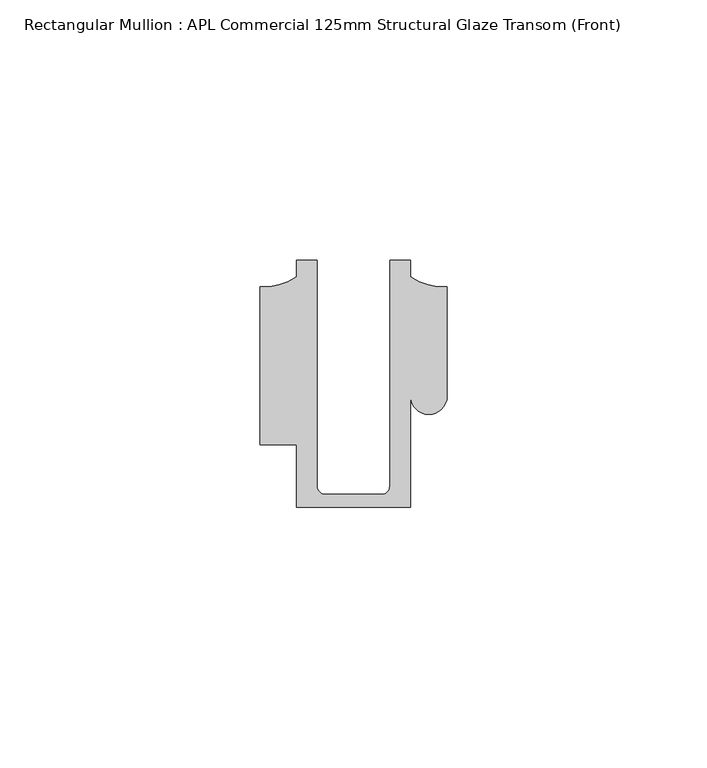
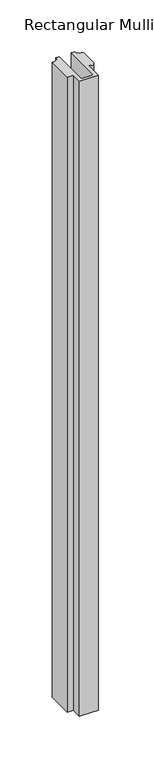
"""IFC4 building model written with IfcOpenShell, lengths in millimetres: member geometry, Rectangular Mullion : APL Commercial 125mm Structural Glaze Transom (Front)."""

from ifc_helpers import new_model, si_unit, frame, origin, place, context, project, spatial, polyline, circle_curve, source, transform, mapped, element, save
from ifc_brep_helpers import plane_surface, cylinder_surface, revolved_surface, advanced_brep


def rectangular_mullion_apl_commercial_125mm_structural_glaze_9c933010(model_context):
    return source(origin(), model_context, "Body", "AdvancedBrep", [
        advanced_brep(
        [(-11.0000151, -27.0, 0.0), (11.001071, -27.0, 0.0), (11.001071, -5.5848769, 0.0), (17.9999091, -5.6750512, 0.0), (17.9999542, 15.3797475, 0.0), (11.0000151, 17.3125212, 0.0), (11.0000151, 20.5, 0.0), (6.9999849, 20.5, 0.0), (6.9999849, -22.9973451, 0.0), (5.4999872, -24.5, 0.0), (-5.4999873, -24.5, 0.0), (-6.9999853, -22.9976091, 0.0), (-6.9999853, 20.5, 0.0), (-10.9999994, 20.5, 0.0), (-10.9999994, 17.3125325, 0.0), (-17.9999542, 15.3797475, 0.0), (-17.9999542, -15.0006281, 0.0), (-11.0000151, -15.0006281, 0.0), (-11.0000151, -27.0, -781.3628177), (-11.0000151, -15.0006281, -781.3628177), (-17.9999542, -15.0006281, -781.3628177), (-17.9999542, 15.3797475, -781.3628177), (-10.9999994, 17.3125325, -781.3628177), (-10.9999994, 20.5, -781.3628177), (-6.9999853, 20.5, -781.3628177), (-6.9999853, -22.9976091, -781.3628177), (-5.4999873, -24.5, -781.3628177), (5.4999872, -24.5, -781.3628177), (6.9999849, -22.9973451, -781.3628177), (6.9999849, 20.5, -781.3628177), (11.0000151, 20.5, -781.3628177), (11.0000151, 17.3125212, -781.3628177), (17.9999542, 15.3797475, -781.3628177), (17.9999542, -5.684606, -781.3628177), (11.001071, -5.5848769, -781.3628177), (11.001071, -27.0, -781.3628177)],
        [
            (0, 1),
            (1, 2),
            (2, 3, circle_curve(frame((14.4999091, -5.6750512, 0.0), z_axis=(0.0, 0.0, 1.0), x_axis=(-0.9999826028573957, 0.005898642432633649, 0.0)), 3.5)),
            (3, 4),
            (4, 5, circle_curve(frame((17.109817, 25.7981812, 0.0), z_axis=(0.0, 0.0, -1.0), x_axis=(0.0, -1.0, 0.0)), 10.4563907)),
            (5, 6),
            (6, 7),
            (7, 8),
            (8, 9, circle_curve(frame((5.4999872, -23.0, 0.0), z_axis=(0.0, 0.0, -1.0), x_axis=(0.9999999999999986, 5.463622857820516e-08, 0.0)), 1.5)),
            (9, 10),
            (10, 11, circle_curve(frame((-5.4999873, -23.0, 0.0), z_axis=(0.0, 0.0, -1.0), x_axis=(2.7320010112268853e-08, -0.9999999999999997, 0.0)), 1.5)),
            (11, 12),
            (12, 13),
            (13, 14),
            (14, 15, circle_curve(frame((-17.109817, 25.7981812, 0.0), z_axis=(0.0, 0.0, -1.0), x_axis=(0.0, -1.0, 0.0)), 10.4563907)),
            (15, 16),
            (16, 17),
            (17, 0),
            (18, 19),
            (19, 20),
            (20, 21),
            (21, 22, circle_curve(frame((-17.109817, 25.7981812, -781.3628177), z_axis=(0.0, 0.0, 1.0), x_axis=(0.0, -1.0, 0.0)), 10.4563907)),
            (22, 23),
            (23, 24),
            (24, 25),
            (25, 26, circle_curve(frame((-5.4999873, -23.0, -781.3628177), z_axis=(0.0, 0.0, 1.0), x_axis=(2.7320010112268853e-08, -0.9999999999999997, 0.0)), 1.5)),
            (26, 27),
            (27, 28, circle_curve(frame((5.4999872, -23.0, -781.3628177), z_axis=(0.0, 0.0, 1.0), x_axis=(0.9999999999999986, 5.463622857820516e-08, 0.0)), 1.5)),
            (28, 29),
            (29, 30),
            (30, 31),
            (31, 32, circle_curve(frame((17.109817, 25.7981812, -781.3628177), z_axis=(0.0, 0.0, 1.0), x_axis=(0.0, -1.0, 0.0)), 10.4563907)),
            (32, 33),
            (33, 34, circle_curve(frame((14.4999091, -5.6750512, -781.3628177), z_axis=(0.0, 0.0, -1.0), x_axis=(-0.9999826028573957, 0.005898642432633649, 0.0)), 3.5)),
            (34, 35),
            (35, 18),
            (0, 18),
            (35, 1),
            (34, 2),
            (33, 3),
            (32, 4),
            (31, 5),
            (30, 6),
            (29, 7),
            (28, 8),
            (27, 9),
            (26, 10),
            (25, 11),
            (24, 12),
            (23, 13),
            (22, 14),
            (21, 15),
            (20, 16),
            (19, 17),
        ],
        [
            plane_surface(frame((0.0, -29.1551636, 0.0), z_axis=(0.0, 0.0, 1.0), x_axis=(-1.0, 0.0, 0.0))),
            plane_surface(frame((0.0, -29.1551636, -781.3628177), z_axis=(0.0, 0.0, -1.0), x_axis=(-1.0, 0.0, 0.0))),
            plane_surface(frame((-11.0000151, -27.0, 0.0), z_axis=(0.0, -1.0, 0.0), x_axis=(0.0, 0.0, -1.0))),
            plane_surface(frame((11.001071, -27.0, 0.0), z_axis=(1.0, 0.0, 0.0), x_axis=(0.0, 0.0, -1.0))),
            cylinder_surface(frame((14.4999091, -5.6750512, 0.0), z_axis=(0.0, 0.0, 1.0), x_axis=(-0.9999826028573957, 0.005898642432633649, 0.0)), 3.5),
            plane_surface(frame((17.9999542, -5.684606, 0.0), z_axis=(1.0, 0.0, 0.0), x_axis=(0.0, 0.0, -1.0))),
            revolved_surface(polyline([(17.109817, 15.341790499999998, -781.3628177), (17.109817, 15.341790499999998, 0.0)]), (17.109817, 25.7981812, 0.0), (0.0, 0.0, -1.0)),
            plane_surface(frame((11.0000151, 17.3125212, 0.0), z_axis=(1.0, 0.0, 0.0), x_axis=(0.0, 0.0, -1.0))),
            plane_surface(frame((11.0000151, 20.5, 0.0), z_axis=(0.0, 1.0, 0.0), x_axis=(0.0, 0.0, -1.0))),
            plane_surface(frame((6.9999849, 20.5, 0.0), z_axis=(-1.0, 0.0, 0.0), x_axis=(0.0, 0.0, -1.0))),
            revolved_surface(polyline([(6.999987199999998, -22.999999918045656, -781.3628177), (6.999987199999998, -22.999999918045656, 0.0)]), (5.4999872, -23.0, 0.0), (0.0, 0.0, -1.0)),
            plane_surface(frame((5.4999872, -24.5, 0.0), z_axis=(0.0, 1.0, 0.0), x_axis=(0.0, 0.0, -1.0))),
            revolved_surface(polyline([(-5.499987259019985, -24.5, -781.3628177), (-5.499987259019985, -24.5, 0.0)]), (-5.4999873, -23.0, 0.0), (0.0, 0.0, -1.0)),
            plane_surface(frame((-6.9999853, -22.9976091, 0.0), z_axis=(1.0, 0.0, 0.0), x_axis=(0.0, 0.0, -1.0))),
            plane_surface(frame((-6.9999853, 20.5, 0.0), z_axis=(0.0, 1.0, 0.0), x_axis=(0.0, 0.0, -1.0))),
            plane_surface(frame((-10.9999994, 20.5, 0.0), z_axis=(-1.0, 0.0, 0.0), x_axis=(0.0, 0.0, -1.0))),
            revolved_surface(polyline([(-17.109817, 15.341790499999998, -781.3628177), (-17.109817, 15.341790499999998, 0.0)]), (-17.109817, 25.7981812, 0.0), (0.0, 0.0, -1.0)),
            plane_surface(frame((-17.9999542, 15.3797475, 0.0), z_axis=(-1.0, 0.0, 0.0), x_axis=(0.0, 0.0, -1.0))),
            plane_surface(frame((-17.9999542, -15.0006281, 0.0), z_axis=(0.0, -1.0, 0.0), x_axis=(0.0, 0.0, -1.0))),
            plane_surface(frame((-11.0000151, -15.0006281, 0.0), z_axis=(-1.0, 0.0, 0.0), x_axis=(0.0, 0.0, -1.0))),
        ],
        [
            (0, [[1, 2, 3, 4, 5, 6, 7, 8, 9, 10, 11, 12, 13, 14, 15, 16, 17, 18]]),
            (1, [[19, 20, 21, 22, 23, 24, 25, 26, 27, 28, 29, 30, 31, 32, 33, 34, 35, 36]]),
            (2, [[-1, 37, -36, 38]]),
            (3, [[-2, -38, -35, 39]]),
            (4, [[-3, -39, -34, 40]]),
            (5, [[-4, -40, -33, 41]]),
            (6, [[-5, -41, -32, 42]]),
            (7, [[-6, -42, -31, 43]]),
            (8, [[-7, -43, -30, 44]]),
            (9, [[-8, -44, -29, 45]]),
            (10, [[-9, -45, -28, 46]]),
            (11, [[-10, -46, -27, 47]]),
            (12, [[-11, -47, -26, 48]]),
            (13, [[-12, -48, -25, 49]]),
            (14, [[-13, -49, -24, 50]]),
            (15, [[-14, -50, -23, 51]]),
            (16, [[-15, -51, -22, 52]]),
            (17, [[-16, -52, -21, 53]]),
            (18, [[-17, -53, -20, 54]]),
            (19, [[-18, -54, -19, -37]]),
        ],
    ),
    ])


if __name__ == "__main__":
    model = new_model("IFC4")
    model_context = context("Model", 3, world=origin())
    ifc_project = project(units=[si_unit("LENGTHUNIT", "METRE", prefix="MILLI")], contexts=[model_context])
    site = spatial("IfcSite", under=ifc_project)
    building = spatial("IfcBuilding", under=site)
    placement = place(None, origin())
    rectangular_mullion_apl_commercial_125mm_structural_glaze_shape = rectangular_mullion_apl_commercial_125mm_structural_glaze_9c933010(model_context)
    element("IfcMember", 1, ObjectType="Rectangular Mullion : APL Commercial 125mm Structural Glaze Transom (Front)", at=placement, inside=building, context=model_context, shape_type="MappedRepresentation", body=[
        mapped(rectangular_mullion_apl_commercial_125mm_structural_glaze_shape, transform((0.0, 0.0, 0.0), x_axis=(1.0, 0.0, 0.0), y_axis=(0.0, 1.0, 0.0), z_axis=(0.0, 0.0, 1.0))),
    ])
    save(model, "model.ifc")
